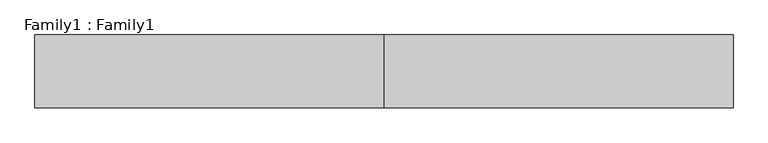
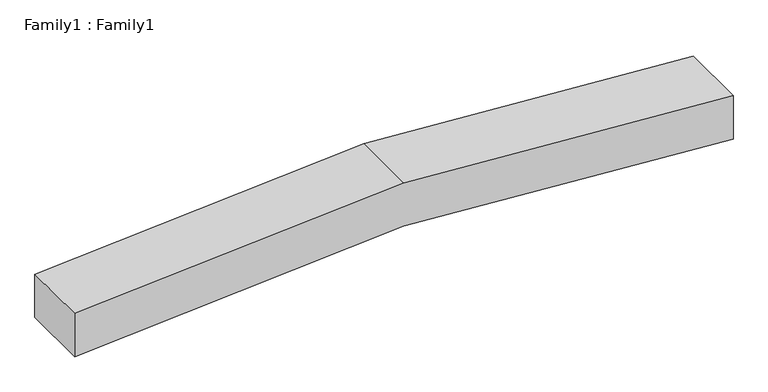
"""IFC4 building model written with IfcOpenShell, lengths in millimetres: beam geometry, Family1 : Family1."""

import ifcopenshell
import ifcopenshell.guid

model = None  # the IFC model being written
_history = None  # IfcOwnerHistory: only IFC2X3 demands one
_inside = {}  # id of a spatial element -> (the spatial element, [elements in it])
_under = {}  # id of a project, library or spatial element -> (it, [spatial elements below it])
_declared = {}  # id of a project -> (the project, [libraries it declares])
_typed = {}  # id of a type object -> (the type object, [elements of that type])
_made_of = {}  # id of a material, layer set ... -> (it, [elements and type objects made of it])


def new_model(schema):
    """Start an empty IFC model of exactly this schema.

    Asked for "IFC4X3", IfcOpenShell would pick the latest addendum, in which some entities
    have other attributes; the version numbers below select the first issue.
    IFC2X3 requires an IfcOwnerHistory on every rooted entity: one is made here for all.
    """
    global model, _history
    if schema == "IFC4X3":
        model = ifcopenshell.file(schema_version=(4, 3, 0, 0))
    else:
        model = ifcopenshell.file(schema=schema)
    _inside.clear()
    _under.clear()
    _declared.clear()
    _typed.clear()
    _made_of.clear()
    _history = None
    if model.schema == "IFC2X3":
        org = make("IfcOrganization", Name="unknown")
        user = make(
            "IfcPersonAndOrganization",
            ThePerson=make("IfcPerson", FamilyName="unknown"),
            TheOrganization=org,
        )
        app = make(
            "IfcApplication",
            ApplicationDeveloper=org,
            Version="unknown",
            ApplicationFullName="unknown",
            ApplicationIdentifier="unknown",
        )
        _history = make(
            "IfcOwnerHistory",
            OwningUser=user,
            OwningApplication=app,
            ChangeAction="ADDED",
            CreationDate=0,
        )
    return model


def make(cls, **values):
    """One entity of the class cls with the attributes given. An attribute that is None is left unset."""
    return model.create_entity(
        cls, **{name: value for name, value in values.items() if value is not None}
    )


def rooted(cls, **values):
    """An entity with a GlobalId (a new one), such as an element, a storey or a relation."""
    return make(cls, GlobalId=ifcopenshell.guid.new(), OwnerHistory=_history, **values)


def si_unit(unit_type, name, prefix=None):
    """IfcSIUnit, for example si_unit("LENGTHUNIT", "METRE", prefix="MILLI")."""
    return make("IfcSIUnit", UnitType=unit_type, Prefix=prefix, Name=name)


def assignment(units):
    """IfcUnitAssignment: the units of a project."""
    return None if units is None else make("IfcUnitAssignment", Units=units)


def point(xyz):
    """IfcCartesianPoint."""
    return None if xyz is None else make("IfcCartesianPoint", Coordinates=xyz)


def direction(xyz):
    """IfcDirection."""
    return None if xyz is None else make("IfcDirection", DirectionRatios=xyz)


def frame(location, z_axis=None, x_axis=None):
    """IfcAxis2Placement3D, a coordinate frame: its origin and axes. An axis left out is left unset."""
    return make(
        "IfcAxis2Placement3D",
        Location=point(location),
        Axis=direction(z_axis),
        RefDirection=direction(x_axis),
    )


def origin():
    """The frame at (0, 0, 0) with its axes left unset."""
    return frame((0.0, 0.0, 0.0))


def place(relative_to, where):
    """IfcLocalPlacement: puts the frame where relative to a parent placement (None: the world)."""
    return make(
        "IfcLocalPlacement", PlacementRelTo=relative_to, RelativePlacement=where
    )


def context(
    kind, dimensions, precision=None, world=None, true_north=None, identifier=None
):
    """IfcGeometricRepresentationContext, for example the 3D "Model" context."""
    return make(
        "IfcGeometricRepresentationContext",
        ContextIdentifier=identifier,
        ContextType=kind,
        CoordinateSpaceDimension=dimensions,
        Precision=precision,
        WorldCoordinateSystem=world,
        TrueNorth=true_north,
    )


def project(units=None, contexts=None):
    """IfcProject with its units and contexts."""
    return rooted(
        "IfcProject",
        Name="project",
        RepresentationContexts=contexts,
        UnitsInContext=assignment(units),
    )


def spatial(cls, under=None, at=None, **own):
    """A site, building, storey or space (cls), placed at a placement, below another one or the project."""
    s = rooted(cls, ObjectPlacement=at, **own)
    if under is not None:
        _under.setdefault(under.id(), (under, []))[1].append(s)
    return s


def polyline(points):
    """IfcPolyline through the points."""
    return make("IfcPolyline", Points=[point(p) for p in points])


def outline(outer, holes=None, kind="AREA"):
    """IfcArbitraryClosedProfileDef: a profile drawn as a closed curve; with holes, ...WithVoids."""
    if holes is None:
        return make("IfcArbitraryClosedProfileDef", ProfileType=kind, OuterCurve=outer)
    return make(
        "IfcArbitraryProfileDefWithVoids",
        ProfileType=kind,
        OuterCurve=outer,
        InnerCurves=holes,
    )


def extrude(swept, where, along, depth):
    """IfcExtrudedAreaSolid: the profile swept, set in the frame where, extruded along a direction by depth."""
    return make(
        "IfcExtrudedAreaSolid",
        SweptArea=swept,
        Position=where,
        ExtrudedDirection=direction(along),
        Depth=depth,
    )


def shape(context_of_items, identifier, shape_type, items):
    """IfcShapeRepresentation: the items that make up one representation, for example the "Body"."""
    return make(
        "IfcShapeRepresentation",
        ContextOfItems=context_of_items,
        RepresentationIdentifier=identifier,
        RepresentationType=shape_type,
        Items=items,
    )


def source(mapping_origin, context_of_items, identifier, shape_type, items):
    """IfcRepresentationMap: a shape defined once, which mapped items show again and again."""
    return make(
        "IfcRepresentationMap",
        MappingOrigin=mapping_origin,
        MappedRepresentation=shape(context_of_items, identifier, shape_type, items),
    )


def transform(
    local_origin,
    x_axis=None,
    y_axis=None,
    z_axis=None,
    scale=None,
    scale2=None,
    scale3=None,
    uniform=True,
):
    """IfcCartesianTransformationOperator3D, or its non-uniform kind. x_axis, y_axis, z_axis: its Axis1, 2, 3."""
    if uniform:
        return make(
            "IfcCartesianTransformationOperator3D",
            Axis1=direction(x_axis),
            Axis2=direction(y_axis),
            LocalOrigin=point(local_origin),
            Scale=scale,
            Axis3=direction(z_axis),
        )
    return make(
        "IfcCartesianTransformationOperator3DnonUniform",
        Axis1=direction(x_axis),
        Axis2=direction(y_axis),
        LocalOrigin=point(local_origin),
        Scale=scale,
        Axis3=direction(z_axis),
        Scale2=scale2,
        Scale3=scale3,
    )


def mapped(mapping_source, mapping_target):
    """IfcMappedItem: shows the shape of a source again, moved by a transform."""
    return make(
        "IfcMappedItem", MappingSource=mapping_source, MappingTarget=mapping_target
    )


def made_of(thing, what):
    """Note that an element or type object is made of a material, layer set ...; save() writes the relation."""
    if what is not None:
        _made_of.setdefault(what.id(), (what, []))[1].append(thing)
    return thing


def element(
    cls,
    number,
    at=None,
    inside=None,
    cuts=None,
    type_object=None,
    material=None,
    context=None,
    identifier="Body",
    shape_type=None,
    held_by="IfcProductDefinitionShape",
    body=None,
    shapes=None,
    **own,
):
    """One element of the class cls, such as IfcWall. Its Tag is "e" and its number.

    at: its placement. inside: the storey or other place that contains it. cuts: it is an
    opening in that element (IfcRelVoidsElement). A single representation is given by context,
    identifier, shape_type and body (its items); several are given by shapes. held_by: the class
    of the entity that holds the representations. save() writes the other relations.
    """
    e = rooted(cls, Tag="e%d" % number, ObjectPlacement=at, **own)
    if body is not None:
        shapes = [shape(context, identifier, shape_type, body)]
    if shapes is not None:
        e.Representation = make(held_by, Representations=shapes)
    if inside is not None:
        _inside.setdefault(inside.id(), (inside, []))[1].append(e)
    if cuts is not None:
        rooted(
            "IfcRelVoidsElement", RelatingBuildingElement=cuts, RelatedOpeningElement=e
        )
    if type_object is not None:
        _typed.setdefault(type_object.id(), (type_object, []))[1].append(e)
    return made_of(e, material)


def aggregate(whole, parts):
    """IfcRelAggregates: a whole, such as a stair, and the parts it consists of."""
    return rooted("IfcRelAggregates", RelatingObject=whole, RelatedObjects=parts)


def save(model, path):
    """Write the relations noted so far, then the file.

    IfcRelAggregates (storeys below a building ...), IfcRelContainedInSpatialStructure (elements
    in a storey), IfcRelDefinesByType, IfcRelAssociatesMaterial and IfcRelDeclares: one each for
    every whole, place, type object, material and project.
    """
    for whole, parts in _under.values():
        aggregate(whole, parts)
    for where, things in _inside.values():
        rooted(
            "IfcRelContainedInSpatialStructure",
            RelatedElements=things,
            RelatingStructure=where,
        )
    for kind, things in _typed.values():
        rooted("IfcRelDefinesByType", RelatedObjects=things, RelatingType=kind)
    for what, things in _made_of.values():
        rooted("IfcRelAssociatesMaterial", RelatedObjects=things, RelatingMaterial=what)
    for by, libraries in _declared.values():
        rooted("IfcRelDeclares", RelatingContext=by, RelatedDefinitions=libraries)
    model.write(path)


def family1_family1_cf86853b(model_context):
    return source(origin(), model_context, "Body", "SweptSolid", [
        extrude(outline(polyline([(0.0, 1200.0), (166.3102848, 1200.0), (249.4654273, 0.0), (166.3102848, -1200.0), (0.0, -1200.0), (83.1551424, 0.0), (0.0, 1200.0)])), frame((0.0, -250.0, 0.0), z_axis=(0.0, 1.0, 0.0), x_axis=(0.0, 0.0, 1.0)), (0.0, 0.0, 1.0), 250.0),
    ])


if __name__ == "__main__":
    model = new_model("IFC4")
    model_context = context("Model", 3, world=origin())
    ifc_project = project(units=[si_unit("LENGTHUNIT", "METRE", prefix="MILLI")], contexts=[model_context])
    site = spatial("IfcSite", under=ifc_project)
    building = spatial("IfcBuilding", under=site)
    placement = place(None, origin())
    family1_family1_shape = family1_family1_cf86853b(model_context)
    element("IfcBeam", 1, ObjectType="Family1 : Family1", at=placement, inside=building, context=model_context, shape_type="MappedRepresentation", body=[
        mapped(family1_family1_shape, transform((0.0, 0.0, 0.0), x_axis=(1.0, 0.0, 0.0), y_axis=(0.0, 1.0, 0.0), z_axis=(0.0, 0.0, 1.0))),
    ])
    save(model, "model.ifc")
